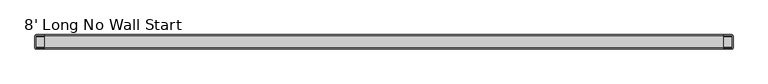
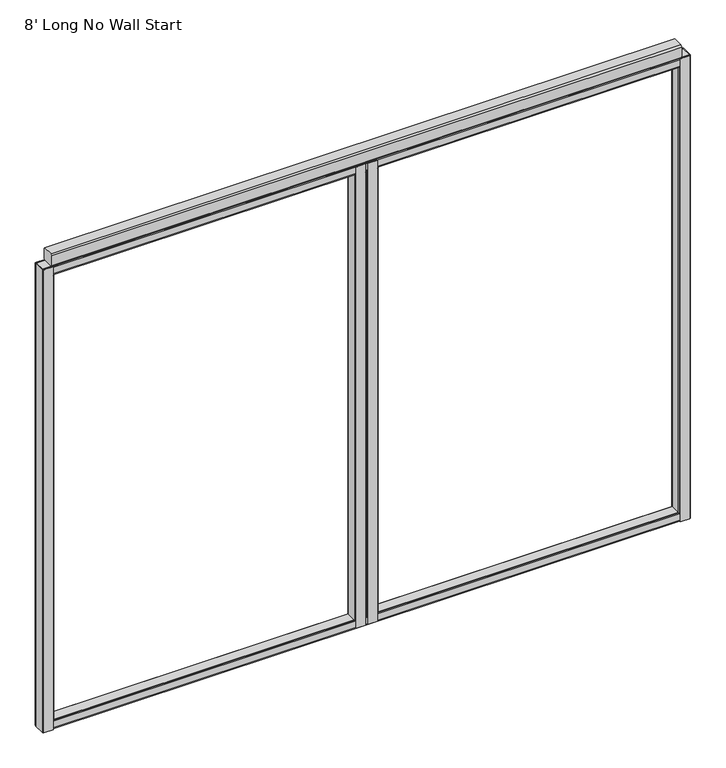
"""IFC4 building model written with IfcOpenShell, lengths in millimetres: furniture geometry, 8' Long No Wall Start."""

from ifc_helpers import new_model, si_unit, frame, origin, place, context, project, spatial, polyline, outline, extrude, faceted_brep, source, transform, mapped, element, save


def furniture_8_long_no_wall_start_2a000054(model_context):
    return source(origin(), model_context, "Body", "SolidModel", [
        faceted_brep([(1214.7042, 25.4, 1937.6408515), (1179.2458, 25.4, 1937.6408515), (1179.2458, 23.1181008, 1937.6408515), (1179.6651471, 23.2918, 1937.6408515), (1214.2848529, 23.2918, 1937.6408515), (1214.7042, 23.1181008, 1937.6408515), (1179.2458, -25.4, 1937.6408515), (1214.7042, -25.4, 1937.6408515), (1214.7042, -23.1181008, 1937.6408515), (1214.2848529, -23.2918, 1937.6408515), (1179.6651471, -23.2918, 1937.6408515), (1179.2458, -23.1181008, 1937.6408515), (1214.7042, -25.4, 104.7768515), (1179.2458, -25.4, 104.7768515), (1179.2458, -23.1181008, 104.7768515), (1179.6651471, -23.2918, 104.7768515), (1214.2848529, -23.2918, 104.7768515), (1214.7042, -23.1181008, 104.7768515), (1179.2458, 25.4, 104.7768515), (1214.7042, 25.4, 104.7768515), (1214.7042, 23.1181008, 104.7768515), (1214.2848529, 23.2918, 104.7768515), (1179.6651471, 23.2918, 104.7768515), (1179.2458, 23.1181008, 104.7768515), (1174.75, -20.9042, 1905.6368515), (1174.75, 20.9042, 1905.6368515), (1174.75, 20.9042, 136.7808515), (1174.75, -20.9042, 136.7808515), (1179.2458, -25.4, 1905.6368515), (1179.2458, -25.4, 136.7808515), (1214.7042, -25.4, 136.7808515), (1214.7042, -25.4, 1905.6368515), (1219.2, -20.9042, 136.7808515), (1219.2, 20.9042, 136.7808515), (1219.2, 20.9042, 1905.6368515), (1219.2, -20.9042, 1905.6368515), (1214.7042, 25.4, 1905.6368515), (1214.7042, 25.4, 136.7808515), (1179.2458, 25.4, 136.7808515), (1179.2458, 25.4, 1905.6368515), (1176.0667893, 24.0832107, 1905.6368515), (1176.0667893, 24.0832107, 136.7808515), (1176.0667893, -24.0832107, 1905.6368515), (1176.0667893, -24.0832107, 136.7808515), (1217.8832107, -24.0832107, 136.7808515), (1217.8832107, -24.0832107, 1905.6368515), (1217.8832107, 24.0832107, 136.7808515), (1217.8832107, 24.0832107, 1905.6368515), (1176.8582, 20.4848529, 1905.6368515), (1176.8582, -20.4848529, 1905.6368515), (1176.8582, -20.4848529, 136.7808515), (1176.8582, 20.4848529, 136.7808515), (1177.6803358, 22.4696642, 1905.6368515), (1177.6803358, 22.4696642, 136.7808515), (1179.2458, 23.1181008, 1905.6368515), (1179.2458, 23.1181008, 136.7808515), (1214.7042, 23.1181008, 136.7808515), (1216.2696642, 22.4696642, 136.7808515), (1216.2696642, 22.4696642, 1905.6368515), (1214.7042, 23.1181008, 1905.6368515), (1217.0918, 20.4848529, 136.7808515), (1217.0918, 20.4848529, 1905.6368515), (1217.0918, -20.4848529, 136.7808515), (1217.0918, -20.4848529, 1905.6368515), (1216.2696642, -22.4696642, 136.7808515), (1216.2696642, -22.4696642, 1905.6368515), (1214.7042, -23.1181008, 1905.6368515), (1214.7042, -23.1181008, 136.7808515), (1179.2458, -23.1181008, 136.7808515), (1177.6803358, -22.4696642, 136.7808515), (1177.6803358, -22.4696642, 1905.6368515), (1179.2458, -23.1181008, 1905.6368515)], [[[0, 1, 2, 3, 4, 5]], [[6, 7, 8, 9, 10, 11]], [[12, 13, 14, 15, 16, 17]], [[18, 19, 20, 21, 22, 23]], [[24, 25, 26, 27]], [[7, 6, 28, 29, 13, 12, 30, 31]], [[32, 33, 34, 35]], [[1, 0, 36, 37, 19, 18, 38, 39]], [[40, 39, 38, 41]], [[25, 40, 41, 26]], [[42, 24, 27, 43]], [[28, 42, 43, 29]], [[30, 44, 45, 31]], [[44, 32, 35, 45]], [[33, 46, 47, 34]], [[46, 37, 36, 47]], [[48, 49, 50, 51]], [[52, 48, 51, 53]], [[22, 3, 2, 54, 52, 53, 55, 23]], [[4, 3, 22, 21]], [[4, 21, 20, 56, 57, 58, 59, 5]], [[57, 60, 61, 58]], [[60, 62, 63, 61]], [[62, 64, 65, 63]], [[16, 9, 8, 66, 65, 64, 67, 17]], [[10, 9, 16, 15]], [[10, 15, 14, 68, 69, 70, 71, 11]], [[49, 70, 69, 50]], [[54, 39, 40, 25, 24, 42, 28, 71, 70, 49, 48, 52]], [[39, 54, 2, 1]], [[71, 28, 6, 11]], [[38, 55, 53, 51, 50, 69, 68, 29, 43, 27, 26, 41]], [[55, 38, 18, 23]], [[29, 68, 14, 13]], [[56, 37, 46, 33, 32, 44, 30, 67, 64, 62, 60, 57]], [[37, 56, 20, 19]], [[67, 30, 12, 17]], [[36, 59, 58, 61, 63, 65, 66, 31, 45, 35, 34, 47]], [[59, 36, 0, 5]], [[31, 66, 8, 7]]]),
        faceted_brep([(1259.1542, 25.4, 1937.6408515), (1223.6958, 25.4, 1937.6408515), (1223.6958, 23.1181008, 1937.6408515), (1224.1151471, 23.2918, 1937.6408515), (1258.7348529, 23.2918, 1937.6408515), (1259.1542, 23.1181008, 1937.6408515), (1223.6958, -25.4, 1937.6408515), (1259.1542, -25.4, 1937.6408515), (1259.1542, -23.1181008, 1937.6408515), (1258.7348529, -23.2918, 1937.6408515), (1224.1151471, -23.2918, 1937.6408515), (1223.6958, -23.1181008, 1937.6408515), (1259.1542, -25.4, 104.7768515), (1223.6958, -25.4, 104.7768515), (1223.6958, -23.1181008, 104.7768515), (1224.1151471, -23.2918, 104.7768515), (1258.7348529, -23.2918, 104.7768515), (1259.1542, -23.1181008, 104.7768515), (1223.6958, 25.4, 104.7768515), (1259.1542, 25.4, 104.7768515), (1259.1542, 23.1181008, 104.7768515), (1258.7348529, 23.2918, 104.7768515), (1224.1151471, 23.2918, 104.7768515), (1223.6958, 23.1181008, 104.7768515), (1263.65, 20.9042, 1905.6368515), (1263.65, -20.9042, 1905.6368515), (1263.65, -20.9042, 136.7808515), (1263.65, 20.9042, 136.7808515), (1223.6958, -25.4, 1905.6368515), (1223.6958, -25.4, 136.7808515), (1259.1542, -25.4, 136.7808515), (1259.1542, -25.4, 1905.6368515), (1219.2, -20.9042, 1905.6368515), (1219.2, 20.9042, 1905.6368515), (1219.2, 20.9042, 136.7808515), (1219.2, -20.9042, 136.7808515), (1259.1542, 25.4, 1905.6368515), (1259.1542, 25.4, 136.7808515), (1223.6958, 25.4, 136.7808515), (1223.6958, 25.4, 1905.6368515), (1262.3332107, 24.0832107, 1905.6368515), (1262.3332107, 24.0832107, 136.7808515), (1262.3332107, -24.0832107, 1905.6368515), (1262.3332107, -24.0832107, 136.7808515), (1220.5167893, -24.0832107, 1905.6368515), (1220.5167893, -24.0832107, 136.7808515), (1220.5167893, 24.0832107, 1905.6368515), (1220.5167893, 24.0832107, 136.7808515), (1261.5418, -20.4848529, 1905.6368515), (1261.5418, 20.4848529, 1905.6368515), (1261.5418, 20.4848529, 136.7808515), (1261.5418, -20.4848529, 136.7808515), (1260.7196642, 22.4696642, 1905.6368515), (1260.7196642, 22.4696642, 136.7808515), (1259.1542, 23.1181008, 136.7808515), (1259.1542, 23.1181008, 1905.6368515), (1223.6958, 23.1181008, 1905.6368515), (1222.1303358, 22.4696642, 1905.6368515), (1222.1303358, 22.4696642, 136.7808515), (1223.6958, 23.1181008, 136.7808515), (1221.3082, 20.4848529, 1905.6368515), (1221.3082, 20.4848529, 136.7808515), (1221.3082, -20.4848529, 1905.6368515), (1221.3082, -20.4848529, 136.7808515), (1222.1303358, -22.4696642, 1905.6368515), (1222.1303358, -22.4696642, 136.7808515), (1223.6958, -23.1181008, 136.7808515), (1223.6958, -23.1181008, 1905.6368515), (1259.1542, -23.1181008, 1905.6368515), (1260.7196642, -22.4696642, 1905.6368515), (1260.7196642, -22.4696642, 136.7808515), (1259.1542, -23.1181008, 136.7808515)], [[[0, 1, 2, 3, 4, 5]], [[6, 7, 8, 9, 10, 11]], [[12, 13, 14, 15, 16, 17]], [[18, 19, 20, 21, 22, 23]], [[24, 25, 26, 27]], [[7, 6, 28, 29, 13, 12, 30, 31]], [[32, 33, 34, 35]], [[1, 0, 36, 37, 19, 18, 38, 39]], [[36, 40, 41, 37]], [[40, 24, 27, 41]], [[25, 42, 43, 26]], [[42, 31, 30, 43]], [[28, 44, 45, 29]], [[44, 32, 35, 45]], [[33, 46, 47, 34]], [[46, 39, 38, 47]], [[48, 49, 50, 51]], [[49, 52, 53, 50]], [[4, 21, 20, 54, 53, 52, 55, 5]], [[4, 3, 22, 21]], [[22, 3, 2, 56, 57, 58, 59, 23]], [[57, 60, 61, 58]], [[60, 62, 63, 61]], [[62, 64, 65, 63]], [[10, 15, 14, 66, 65, 64, 67, 11]], [[10, 9, 16, 15]], [[16, 9, 8, 68, 69, 70, 71, 17]], [[69, 48, 51, 70]], [[36, 55, 52, 49, 48, 69, 68, 31, 42, 25, 24, 40]], [[55, 36, 0, 5]], [[31, 68, 8, 7]], [[54, 37, 41, 27, 26, 43, 30, 71, 70, 51, 50, 53]], [[37, 54, 20, 19]], [[71, 30, 12, 17]], [[56, 39, 46, 33, 32, 44, 28, 67, 64, 62, 60, 57]], [[39, 56, 2, 1]], [[67, 28, 6, 11]], [[38, 59, 58, 61, 63, 65, 66, 29, 45, 35, 34, 47]], [[59, 38, 18, 23]], [[29, 66, 14, 13]]]),
        faceted_brep([(39.9542, 25.4, 1940.56), (4.4958, 25.4, 1940.56), (1.3167893, 24.0832107, 1940.56), (0.0, 20.9042, 1940.56), (0.0, -20.9042, 1940.56), (1.3167893, -24.0832107, 1940.56), (4.4958, -25.4, 1940.56), (39.9542, -25.4, 1940.56), (39.9542, -23.1181008, 1940.56), (39.5348529, -23.2918, 1940.56), (4.9151471, -23.2918, 1940.56), (2.9303358, -22.4696642, 1940.56), (2.1082, -20.4848529, 1940.56), (2.1082, 20.4848529, 1940.56), (2.9303358, 22.4696642, 1940.56), (4.9151471, 23.2918, 1940.56), (39.5348529, 23.2918, 1940.56), (39.9542, 23.1181008, 1940.56), (39.9542, -25.4, 101.6), (4.4958, -25.4, 101.6), (1.3167893, -24.0832107, 101.6), (0.0, -20.9042, 101.6), (0.0, 20.9042, 101.6), (1.3167893, 24.0832107, 101.6), (4.4958, 25.4, 101.6), (39.9542, 25.4, 101.6), (39.9542, 23.1181008, 101.6), (39.5348529, 23.2918, 101.6), (4.9151471, 23.2918, 101.6), (2.9303358, 22.4696642, 101.6), (2.1082, 20.4848529, 101.6), (2.1082, -20.4848529, 101.6), (2.9303358, -22.4696642, 101.6), (4.9151471, -23.2918, 101.6), (39.5348529, -23.2918, 101.6), (39.9542, -23.1181008, 101.6), (44.45, 20.9042, 1905.635), (44.45, -20.9042, 1905.635), (44.45, -20.9042, 136.525), (44.45, 20.9042, 136.525), (39.9542, -25.4, 136.525), (39.9542, -25.4, 1905.635), (39.9542, 25.4, 1905.635), (39.9542, 25.4, 136.525), (43.1332107, 24.0832107, 1905.635), (43.1332107, 24.0832107, 136.525), (43.1332107, -24.0832107, 1905.635), (43.1332107, -24.0832107, 136.525), (42.3418, -20.4848529, 1905.635), (42.3418, 20.4848529, 1905.635), (42.3418, 20.4848529, 136.525), (42.3418, -20.4848529, 136.525), (41.5196642, 22.4696642, 1905.635), (41.5196642, 22.4696642, 136.525), (39.9542, 23.1181008, 136.525), (39.9542, 23.1181008, 1905.635), (39.9542, -23.1181008, 1905.635), (41.5196642, -22.4696642, 1905.635), (41.5196642, -22.4696642, 136.525), (39.9542, -23.1181008, 136.525)], [[[0, 1, 2, 3, 4, 5, 6, 7, 8, 9, 10, 11, 12, 13, 14, 15, 16, 17]], [[18, 19, 20, 21, 22, 23, 24, 25, 26, 27, 28, 29, 30, 31, 32, 33, 34, 35]], [[36, 37, 38, 39]], [[7, 6, 19, 18, 40, 41]], [[4, 3, 22, 21]], [[1, 0, 42, 43, 25, 24]], [[42, 44, 45, 43]], [[44, 36, 39, 45]], [[37, 46, 47, 38]], [[46, 41, 40, 47]], [[6, 5, 20, 19]], [[5, 4, 21, 20]], [[3, 2, 23, 22]], [[2, 1, 24, 23]], [[48, 49, 50, 51]], [[49, 52, 53, 50]], [[16, 27, 26, 54, 53, 52, 55, 17]], [[16, 15, 28, 27]], [[15, 14, 29, 28]], [[14, 13, 30, 29]], [[13, 12, 31, 30]], [[12, 11, 32, 31]], [[11, 10, 33, 32]], [[10, 9, 34, 33]], [[34, 9, 8, 56, 57, 58, 59, 35]], [[57, 48, 51, 58]], [[42, 55, 52, 49, 48, 57, 56, 41, 46, 37, 36, 44]], [[55, 42, 0, 17]], [[41, 56, 8, 7]], [[54, 43, 45, 39, 38, 47, 40, 59, 58, 51, 50, 53]], [[43, 54, 26, 25]], [[59, 40, 18, 35]]]),
        faceted_brep([(2398.4458, -25.4, 1940.56), (2433.9042, -25.4, 1940.56), (2437.0832107, -24.0832107, 1940.56), (2438.4, -20.9042, 1940.56), (2438.4, 20.9042, 1940.56), (2437.0832107, 24.0832107, 1940.56), (2433.9042, 25.4, 1940.56), (2398.4458, 25.4, 1940.56), (2398.4458, 23.1181008, 1940.56), (2398.8651471, 23.2918, 1940.56), (2433.4848529, 23.2918, 1940.56), (2435.4696642, 22.4696642, 1940.56), (2436.2918, 20.4848529, 1940.56), (2436.2918, -20.4848529, 1940.56), (2435.4696642, -22.4696642, 1940.56), (2433.4848529, -23.2918, 1940.56), (2398.8651471, -23.2918, 1940.56), (2398.4458, -23.1181008, 1940.56), (2398.4458, 25.4, 101.6), (2433.9042, 25.4, 101.6), (2437.0832107, 24.0832107, 101.6), (2438.4, 20.9042, 101.6), (2438.4, -20.9042, 101.6), (2437.0832107, -24.0832107, 101.6), (2433.9042, -25.4, 101.6), (2398.4458, -25.4, 101.6), (2398.4458, -23.1181008, 101.6), (2398.8651471, -23.2918, 101.6), (2433.4848529, -23.2918, 101.6), (2435.4696642, -22.4696642, 101.6), (2436.2918, -20.4848529, 101.6), (2436.2918, 20.4848529, 101.6), (2435.4696642, 22.4696642, 101.6), (2433.4848529, 23.2918, 101.6), (2398.8651471, 23.2918, 101.6), (2398.4458, 23.1181008, 101.6), (2393.95, -20.9042, 1905.635), (2393.95, 20.9042, 1905.635), (2393.95, 20.9042, 136.525), (2393.95, -20.9042, 136.525), (2398.4458, -25.4, 1905.635), (2398.4458, -25.4, 136.525), (2398.4458, 25.4, 136.525), (2398.4458, 25.4, 1905.635), (2395.2667893, 24.0832107, 1905.635), (2395.2667893, 24.0832107, 136.525), (2395.2667893, -24.0832107, 1905.635), (2395.2667893, -24.0832107, 136.525), (2396.0582, 20.4848529, 1905.635), (2396.0582, -20.4848529, 1905.635), (2396.0582, -20.4848529, 136.525), (2396.0582, 20.4848529, 136.525), (2396.8803358, 22.4696642, 1905.635), (2396.8803358, 22.4696642, 136.525), (2398.4458, 23.1181008, 1905.635), (2398.4458, 23.1181008, 136.525), (2398.4458, -23.1181008, 136.525), (2396.8803358, -22.4696642, 136.525), (2396.8803358, -22.4696642, 1905.635), (2398.4458, -23.1181008, 1905.635)], [[[0, 1, 2, 3, 4, 5, 6, 7, 8, 9, 10, 11, 12, 13, 14, 15, 16, 17]], [[18, 19, 20, 21, 22, 23, 24, 25, 26, 27, 28, 29, 30, 31, 32, 33, 34, 35]], [[36, 37, 38, 39]], [[1, 0, 40, 41, 25, 24]], [[4, 3, 22, 21]], [[7, 6, 19, 18, 42, 43]], [[44, 43, 42, 45]], [[37, 44, 45, 38]], [[46, 36, 39, 47]], [[40, 46, 47, 41]], [[2, 1, 24, 23]], [[3, 2, 23, 22]], [[5, 4, 21, 20]], [[6, 5, 20, 19]], [[48, 49, 50, 51]], [[52, 48, 51, 53]], [[34, 9, 8, 54, 52, 53, 55, 35]], [[10, 9, 34, 33]], [[11, 10, 33, 32]], [[12, 11, 32, 31]], [[13, 12, 31, 30]], [[14, 13, 30, 29]], [[15, 14, 29, 28]], [[16, 15, 28, 27]], [[16, 27, 26, 56, 57, 58, 59, 17]], [[49, 58, 57, 50]], [[54, 43, 44, 37, 36, 46, 40, 59, 58, 49, 48, 52]], [[43, 54, 8, 7]], [[59, 40, 0, 17]], [[42, 55, 53, 51, 50, 57, 56, 41, 47, 39, 38, 45]], [[55, 42, 18, 35]], [[41, 56, 26, 25]]]),
        extrude(outline(polyline([(-18.7325958, 101.6), (-21.884598, 102.905602), (-23.1902, 106.0576042), (-23.1902, 132.0673958), (-21.884598, 135.219398), (-18.7325958, 136.525), (18.7325958, 136.525), (21.884598, 135.219398), (23.1902, 132.0673958), (23.1902, 106.0576042), (21.884598, 102.905602), (18.7325958, 101.6), (-18.7325958, 101.6)]), holes=[polyline([(-18.3132488, 103.7082), (18.3132488, 103.7082), (20.2710515, 104.5191485), (21.082, 106.4769512), (21.082, 131.6480488), (20.2710515, 133.6058515), (18.3132488, 134.4168), (-18.3132488, 134.4168), (-20.2710515, 133.6058515), (-21.082, 131.6480488), (-21.082, 106.4769512), (-20.2710515, 104.5191485), (-18.3132488, 103.7082)])]), frame((2.1082, 0.0, 0.0), z_axis=(1.0, 0.0, 0.0), x_axis=(0.0, 1.0, 0.0)), (0.0, 0.0, 1.0), 2434.1836),
        extrude(outline(polyline([(-18.7325958, 1940.56), (18.7325958, 1940.56), (21.884598, 1939.254398), (23.1902, 1936.1023958), (23.1902, 1910.0926042), (21.884598, 1906.940602), (18.7325958, 1905.635), (-18.7325958, 1905.635), (-21.884598, 1906.940602), (-23.1902, 1910.0926042), (-23.1902, 1936.1023958), (-21.884598, 1939.254398), (-18.7325958, 1940.56)]), holes=[polyline([(-18.3132488, 1938.4518), (-20.2710515, 1937.6408515), (-21.082, 1935.6830488), (-21.082, 1910.5119512), (-20.2710515, 1908.5541485), (-18.3132488, 1907.7432), (18.3132488, 1907.7432), (20.2710515, 1908.5541485), (21.082, 1910.5119512), (21.082, 1935.6830488), (20.2710515, 1937.6408515), (18.3132488, 1938.4518), (-18.3132488, 1938.4518)])]), frame((2.1082, 0.0, 0.0), z_axis=(1.0, 0.0, 0.0), x_axis=(0.0, 1.0, 0.0)), (0.0, 0.0, 1.0), 2434.1836),
        extrude(outline(polyline([(19.908865, 1991.36), (25.4, 1985.868865), (25.4, 1946.051135), (19.908865, 1940.56), (-19.908865, 1940.56), (-25.4, 1946.051135), (-25.4, 1985.868865), (-19.908865, 1991.36), (19.908865, 1991.36)])), frame((34.5948, 0.0, 0.0), z_axis=(1.0, 0.0, 0.0), x_axis=(0.0, 1.0, 0.0)), (0.0, 0.0, 1.0), 2369.2104),
    ])


if __name__ == "__main__":
    model = new_model("IFC4")
    model_context = context("Model", 3, world=origin())
    ifc_project = project(units=[si_unit("LENGTHUNIT", "METRE", prefix="MILLI")], contexts=[model_context])
    site = spatial("IfcSite", under=ifc_project)
    building = spatial("IfcBuilding", under=site)
    placement = place(None, origin())
    furniture_8_long_no_wall_start_shape = furniture_8_long_no_wall_start_2a000054(model_context)
    element("IfcFurniture", 1, ObjectType="8' Long No Wall Start", at=placement, inside=building, context=model_context, shape_type="MappedRepresentation", body=[
        mapped(furniture_8_long_no_wall_start_shape, transform((0.0, 0.0, 0.0), x_axis=(1.0, 0.0, 0.0), y_axis=(0.0, 1.0, 0.0), z_axis=(0.0, 0.0, 1.0))),
    ])
    save(model, "model.ifc")
